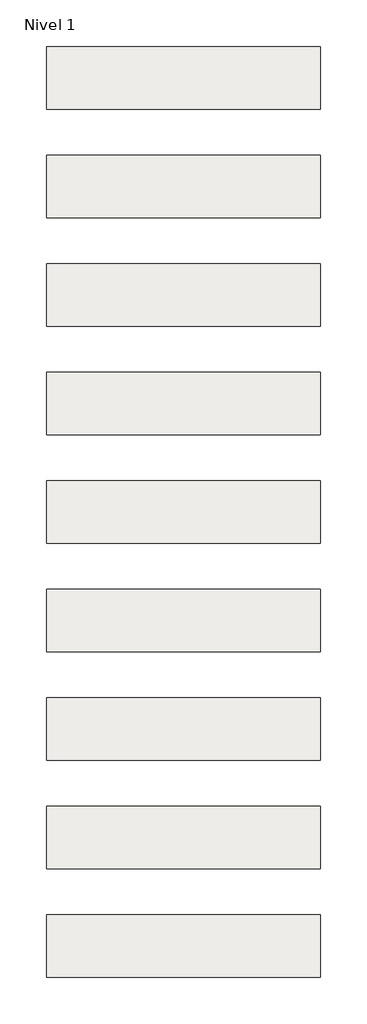
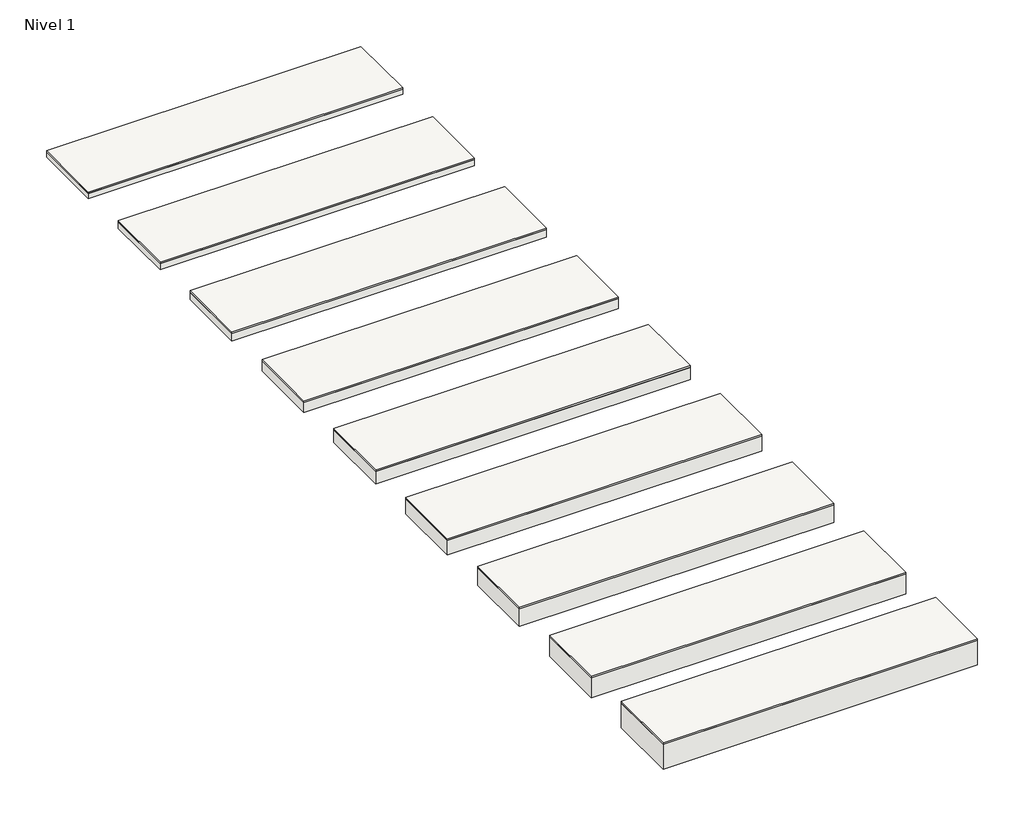
# One storey: 9 roofs.
"""IFC4 building model written with IfcOpenShell, lengths in millimetres."""

from ifc_helpers import new_model, si_unit, frame, origin, origin_with_axes, place, context, project, spatial, polyline, outline, extrude, element, save

model = new_model("IFC4")

# Units and contexts
model_context = context("Model", 3, world=origin())
ifc_project = project(units=[si_unit("LENGTHUNIT", "METRE", prefix="MILLI")], contexts=[model_context])

# Site, building, storey
site = spatial("IfcSite", under=ifc_project)
building = spatial("IfcBuilding", under=site)
storey = spatial("IfcBuildingStorey", under=building, Name="Nivel 1", Elevation=0.0)

# Roofs
placement = place(None, origin())
element("IfcRoof", 1, at=placement, inside=storey, context=model_context, shape_type="SweptSolid", body=[
    extrude(outline(polyline([(-3824.6699095, -6894.5376473), (-1424.6699095, -6894.5376473), (-1424.6699095, -7444.5376473), (-3824.6699095, -7444.5376473), (-3824.6699095, -6894.5376473)])), frame((0.0, 0.0, 50.0), z_axis=(0.0, 0.0, 1.0), x_axis=(1.0, 0.0, 0.0)), (0.0, 0.0, 1.0), 12.5),
    extrude(outline(polyline([(-3824.6699095, -6894.5376473), (-1424.6699095, -6894.5376473), (-1424.6699095, -7444.5376473), (-3824.6699095, -7444.5376473), (-3824.6699095, -6894.5376473)])), origin_with_axes(), (0.0, 0.0, 1.0), 50.0),
])
element("IfcRoof", 2, at=placement, inside=storey, context=model_context, shape_type="SweptSolid", body=[
    extrude(outline(polyline([(-3824.6699095, -5944.5376473), (-1424.6699095, -5944.5376473), (-1424.6699095, -6494.5376473), (-3824.6699095, -6494.5376473), (-3824.6699095, -5944.5376473)])), frame((0.0, 0.0, 40.0), z_axis=(0.0, 0.0, 1.0), x_axis=(1.0, 0.0, 0.0)), (0.0, 0.0, 1.0), 12.5),
    extrude(outline(polyline([(-3824.6699095, -5944.5376473), (-1424.6699095, -5944.5376473), (-1424.6699095, -6494.5376473), (-3824.6699095, -6494.5376473), (-3824.6699095, -5944.5376473)])), origin_with_axes(), (0.0, 0.0, 1.0), 40.0),
])
element("IfcRoof", 3, at=placement, inside=storey, context=model_context, shape_type="SweptSolid", body=[
    extrude(outline(polyline([(-3824.6699095, -7844.5376473), (-1424.6699095, -7844.5376473), (-1424.6699095, -8394.5376473), (-3824.6699095, -8394.5376473), (-3824.6699095, -7844.5376473)])), frame((0.0, 0.0, 60.0), z_axis=(0.0, 0.0, 1.0), x_axis=(1.0, 0.0, 0.0)), (0.0, 0.0, 1.0), 12.5),
    extrude(outline(polyline([(-3824.6699095, -7844.5376473), (-1424.6699095, -7844.5376473), (-1424.6699095, -8394.5376473), (-3824.6699095, -8394.5376473), (-3824.6699095, -7844.5376473)])), origin_with_axes(), (0.0, 0.0, 1.0), 60.0),
])
element("IfcRoof", 4, at=placement, inside=storey, context=model_context, shape_type="SweptSolid", body=[
    extrude(outline(polyline([(-3824.6699095, -8794.5376473), (-1424.6699095, -8794.5376473), (-1424.6699095, -9344.5376473), (-3824.6699095, -9344.5376473), (-3824.6699095, -8794.5376473)])), frame((0.0, 0.0, 80.0), z_axis=(0.0, 0.0, 1.0), x_axis=(1.0, 0.0, 0.0)), (0.0, 0.0, 1.0), 12.5),
    extrude(outline(polyline([(-3824.6699095, -8794.5376473), (-1424.6699095, -8794.5376473), (-1424.6699095, -9344.5376473), (-3824.6699095, -9344.5376473), (-3824.6699095, -8794.5376473)])), origin_with_axes(), (0.0, 0.0, 1.0), 80.0),
])
element("IfcRoof", 5, at=placement, inside=storey, context=model_context, shape_type="SweptSolid", body=[
    extrude(outline(polyline([(-3824.6699095, -9744.5376473), (-1424.6699095, -9744.5376473), (-1424.6699095, -10294.5376473), (-3824.6699095, -10294.5376473), (-3824.6699095, -9744.5376473)])), frame((0.0, 0.0, 100.0), z_axis=(0.0, 0.0, 1.0), x_axis=(1.0, 0.0, 0.0)), (0.0, 0.0, 1.0), 12.5),
    extrude(outline(polyline([(-3824.6699095, -9744.5376473), (-1424.6699095, -9744.5376473), (-1424.6699095, -10294.5376473), (-3824.6699095, -10294.5376473), (-3824.6699095, -9744.5376473)])), origin_with_axes(), (0.0, 0.0, 1.0), 100.0),
])
element("IfcRoof", 6, at=placement, inside=storey, context=model_context, shape_type="SweptSolid", body=[
    extrude(outline(polyline([(-3824.6699095, -10694.5376473), (-1424.6699095, -10694.5376473), (-1424.6699095, -11244.5376473), (-3824.6699095, -11244.5376473), (-3824.6699095, -10694.5376473)])), frame((0.0, 0.0, 120.0), z_axis=(0.0, 0.0, 1.0), x_axis=(1.0, 0.0, 0.0)), (0.0, 0.0, 1.0), 12.5),
    extrude(outline(polyline([(-3824.6699095, -10694.5376473), (-1424.6699095, -10694.5376473), (-1424.6699095, -11244.5376473), (-3824.6699095, -11244.5376473), (-3824.6699095, -10694.5376473)])), origin_with_axes(), (0.0, 0.0, 1.0), 120.0),
])
element("IfcRoof", 7, at=placement, inside=storey, context=model_context, shape_type="SweptSolid", body=[
    extrude(outline(polyline([(-3824.6699095, -11644.5376473), (-1424.6699095, -11644.5376473), (-1424.6699095, -12194.5376473), (-3824.6699095, -12194.5376473), (-3824.6699095, -11644.5376473)])), frame((0.0, 0.0, 140.0), z_axis=(0.0, 0.0, 1.0), x_axis=(1.0, 0.0, 0.0)), (0.0, 0.0, 1.0), 12.5),
    extrude(outline(polyline([(-3824.6699095, -11644.5376473), (-1424.6699095, -11644.5376473), (-1424.6699095, -12194.5376473), (-3824.6699095, -12194.5376473), (-3824.6699095, -11644.5376473)])), origin_with_axes(), (0.0, 0.0, 1.0), 140.0),
])
element("IfcRoof", 8, at=placement, inside=storey, context=model_context, shape_type="SweptSolid", body=[
    extrude(outline(polyline([(-3824.6699095, -12594.5376473), (-1424.6699095, -12594.5376473), (-1424.6699095, -13144.5376473), (-3824.6699095, -13144.5376473), (-3824.6699095, -12594.5376473)])), frame((0.0, 0.0, 160.0), z_axis=(0.0, 0.0, 1.0), x_axis=(1.0, 0.0, 0.0)), (0.0, 0.0, 1.0), 12.5),
    extrude(outline(polyline([(-3824.6699095, -12594.5376473), (-1424.6699095, -12594.5376473), (-1424.6699095, -13144.5376473), (-3824.6699095, -13144.5376473), (-3824.6699095, -12594.5376473)])), origin_with_axes(), (0.0, 0.0, 1.0), 160.0),
])
element("IfcRoof", 9, at=placement, inside=storey, context=model_context, shape_type="SweptSolid", body=[
    extrude(outline(polyline([(-3824.6699095, -13544.5376473), (-1424.6699095, -13544.5376473), (-1424.6699095, -14094.5376473), (-3824.6699095, -14094.5376473), (-3824.6699095, -13544.5376473)])), frame((0.0, 0.0, 200.0), z_axis=(0.0, 0.0, 1.0), x_axis=(1.0, 0.0, 0.0)), (0.0, 0.0, 1.0), 12.5),
    extrude(outline(polyline([(-3824.6699095, -13544.5376473), (-1424.6699095, -13544.5376473), (-1424.6699095, -14094.5376473), (-3824.6699095, -14094.5376473), (-3824.6699095, -13544.5376473)])), origin_with_axes(), (0.0, 0.0, 1.0), 200.0),
])

save(model, "model.ifc")
